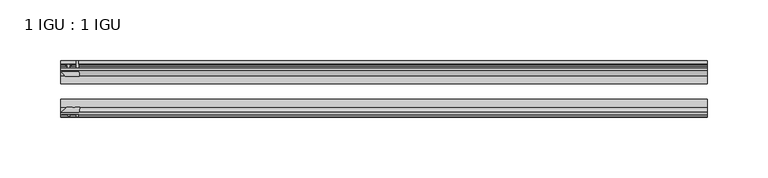
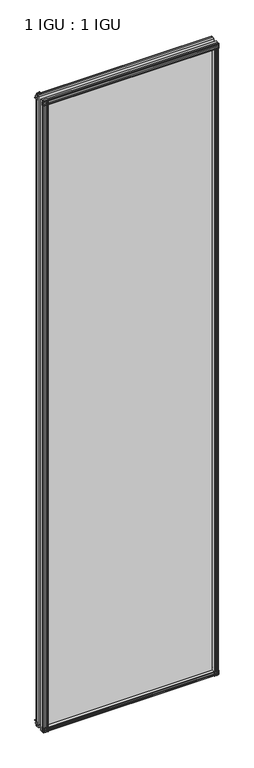
"""IFC4 building model written with IfcOpenShell, lengths in millimetres: plate geometry, 1 IGU : 1 IGU."""

from ifc_helpers import new_model, si_unit, point, frame, frame_2d, origin, place, context, project, spatial, polyline, circle_curve, trimmed, segment, composite_curve, outline, extrude, source, transform, mapped, element, save


def plate_1_igu_1_igu_2868c8d1(model_context):
    return source(origin(), model_context, "Body", "SweptSolid", [
        extrude(outline(polyline([(-24.9039062, 2.5763839), (-12.2039062, 1.5739665), (-12.2039062, 0.0), (-18.5539062, 0.0), (-18.5539062, -4.953), (-16.254502, -5.5691235), (-16.6301757, -4.1670901), (-15.7714677, -3.937), (-15.1249062, -6.35), (-15.7714677, -8.763), (-16.6301757, -8.5329099), (-16.254502, -7.1308765), (-18.5539062, -7.747), (-18.5539062, -12.7), (-20.5859062, -12.7), (-24.9039062, -9.1036931), (-24.9039062, 2.5763839)])), frame((-265.9056496, 0.0, 0.0), z_axis=(1.0, 0.0, 0.0), x_axis=(0.0, 1.0, 0.0)), (0.0, 0.0, 1.0), 531.8112992),
        extrude(outline(composite_curve([segment(polyline([(-58.2287402, 1.5687054), (-50.3039062, 3.0983599), (-50.3039062, -7.92383), (-54.4858806, -12.1058044)]), True, "CONTINUOUS"), segment(trimmed(circle_curve(frame_2d((-55.3839062, -11.2077788)), 1.27), [point((-54.4858806, -12.1058044))], [point((-56.6539062, -11.2077788))], False, "CARTESIAN"), True, "CONTINUOUS"), segment(polyline([(-56.6539062, -11.2077788), (-56.6539062, -8.0327788), (-58.1332022, -5.4488186), (-56.6539062, -5.1879788), (-56.6539062, 0.2222212), (-58.2287402, 0.0), (-58.2287402, 1.5687054)]), True, "CONTINUOUS")], self_intersect=False)), frame((-265.9056496, 0.0, 0.0), z_axis=(1.0, 0.0, 0.0), x_axis=(0.0, 1.0, 0.0)), (0.0, 0.0, 1.0), 531.8112992),
        extrude(outline(polyline([(-18.5539063, 2001.656525), (-16.254502, 2001.0404015), (-16.6301757, 2002.4424349), (-15.7714677, 2002.672525), (-15.1249063, 2000.259525), (-15.7714677, 1997.846525), (-16.6301757, 1998.0766151), (-16.254502, 1999.4786485), (-18.5539063, 1998.862525), (-18.5539063, 1993.909525), (-12.2039062, 1993.909525), (-12.2039062, 1992.3355584), (-24.9039063, 1991.3331411), (-24.9039063, 2003.0132181), (-20.5859063, 2006.609525), (-18.5539063, 2006.609525), (-18.5539063, 2001.656525)])), frame((-265.9056496, 0.0, 0.0), z_axis=(1.0, 0.0, 0.0), x_axis=(0.0, 1.0, 0.0)), (0.0, 0.0, 1.0), 531.8112992),
        extrude(outline(composite_curve([segment(polyline([(-50.3039063, 2001.833355), (-50.3039063, 1990.8111651), (-58.2287402, 1992.3408196), (-58.2287402, 1993.909525), (-56.6539063, 1993.6873038), (-56.6539063, 1999.0975038), (-58.1332023, 1999.3583436), (-56.6539063, 2001.9423038), (-56.6539063, 2005.1173038)]), True, "CONTINUOUS"), segment(trimmed(circle_curve(frame_2d((-55.3839063, 2005.1173038)), 1.27), [point((-56.6539063, 2005.1173038))], [point((-54.4858806, 2006.0153294))], False, "CARTESIAN"), True, "CONTINUOUS"), segment(polyline([(-54.4858806, 2006.0153294), (-50.3039063, 2001.833355)]), True, "CONTINUOUS")], self_intersect=False)), frame((-265.9056496, 0.0, 0.0), z_axis=(1.0, 0.0, 0.0), x_axis=(0.0, 1.0, 0.0)), (0.0, 0.0, 1.0), 531.8112992),
        extrude(outline(composite_curve([segment(polyline([(251.4746056, -57.3876965), (250.1072897, -50.3039063), (261.1294796, -50.3039063), (265.311454, -54.4858806)]), True, "CONTINUOUS"), segment(trimmed(circle_curve(frame_2d((264.4134284, -55.3839062)), 1.27), [point((265.311454, -54.4858806))], [point((264.4134284, -56.6539062))], False, "CARTESIAN"), True, "CONTINUOUS"), segment(polyline([(264.4134284, -56.6539062), (261.2384284, -56.6539063), (258.6544682, -58.1332023), (258.3936284, -56.6539063), (252.9834284, -56.6539063), (253.2056496, -58.2287402), (252.2413288, -58.2014026)]), True, "CONTINUOUS"), segment(trimmed(circle_curve(frame_2d((252.4754284, -57.2127402)), 1.016), [point((252.2413288, -58.2014026))], [point((251.4746056, -57.3876965))], False, "CARTESIAN"), True, "CONTINUOUS")], self_intersect=False)), frame((0.0, 0.0, -12.7), z_axis=(0.0, 0.0, 1.0), x_axis=(1.0, 0.0, 0.0)), (0.0, 0.0, 1.0), 2007.0064),
        extrude(outline(polyline([(258.1586496, -18.5539062), (258.7747731, -16.254502), (257.3727397, -16.6301757), (257.1426496, -15.7714677), (259.5556496, -15.1249062), (261.9686496, -15.7714677), (261.7385595, -16.6301757), (260.3365261, -16.254502), (260.9526496, -18.5539062), (265.9056496, -18.5539062), (265.9056496, -20.5859063), (262.3093427, -24.9039063), (250.6292657, -24.9039063), (251.631683, -12.2039062), (253.2056496, -12.2039062), (253.2056496, -18.5539062), (258.1586496, -18.5539062)])), frame((0.0, 0.0, -12.7), z_axis=(0.0, 0.0, 1.0), x_axis=(1.0, 0.0, 0.0)), (0.0, 0.0, 1.0), 2007.0064),
        extrude(outline(composite_curve([segment(polyline([(-261.2384284, -56.6539062), (-264.4134284, -56.6539062)]), True, "CONTINUOUS"), segment(trimmed(circle_curve(frame_2d((-264.4134284, -55.3839062)), 1.27), [point((-264.4134284, -56.6539062))], [point((-265.311454, -54.4858806))], False, "CARTESIAN"), True, "CONTINUOUS"), segment(polyline([(-265.311454, -54.4858806), (-261.1294796, -50.3039062), (-257.4599341, -50.3039062)]), True, "CONTINUOUS"), segment(trimmed(circle_curve(frame_2d((-255.3964284, -46.3669062)), 4.445), [point((-257.4599341, -50.3039062))], [point((-253.3329226, -50.3039062))], True, "CARTESIAN"), True, "CONTINUOUS"), segment(polyline([(-253.3329226, -50.3039062), (-250.1072897, -50.3039062), (-251.6369442, -58.2287402), (-253.2056496, -58.2287402), (-252.9834284, -56.6539062), (-258.3936284, -56.6539062), (-258.6544682, -58.1332022), (-261.2384284, -56.6539062)]), True, "CONTINUOUS")], self_intersect=False)), frame((0.0, 0.0, -12.7), z_axis=(0.0, 0.0, 1.0), x_axis=(1.0, 0.0, 0.0)), (0.0, 0.0, 1.0), 2019.309525),
        extrude(outline(polyline([(-250.6292657, -24.9039062), (-262.3093427, -24.9039062), (-265.9056496, -20.5859062), (-265.9056496, -18.5539062), (-260.9526496, -18.5539062), (-260.3365261, -16.254502), (-261.7385595, -16.6301757), (-261.9686496, -15.7714677), (-259.5556496, -15.1249062), (-257.1426496, -15.7714677), (-257.3727397, -16.6301757), (-258.7747731, -16.254502), (-258.1586496, -18.5539062), (-253.2056496, -18.5539062), (-253.2056496, -12.2039062), (-251.631683, -12.2039062), (-250.6292657, -24.9039062)])), frame((0.0, 0.0, -12.7), z_axis=(0.0, 0.0, 1.0), x_axis=(1.0, 0.0, 0.0)), (0.0, 0.0, 1.0), 2019.309525),
        extrude(outline(polyline([(265.9056496, -24.9039062), (265.9056496, -31.2031063), (-265.9056496, -31.2031063), (-265.9056496, -24.9039062), (265.9056496, -24.9039062)])), frame((0.0, 0.0, -12.7), z_axis=(0.0, 0.0, 1.0), x_axis=(1.0, 0.0, 0.0)), (0.0, 0.0, 1.0), 2019.309525),
        extrude(outline(polyline([(-265.9056496, -44.0047063), (265.9056496, -44.0047063), (265.9056496, -50.3039062), (-265.9056496, -50.3039062), (-265.9056496, -44.0047063)])), frame((0.0, 0.0, -12.7), z_axis=(0.0, 0.0, 1.0), x_axis=(1.0, 0.0, 0.0)), (0.0, 0.0, 1.0), 2019.309525),
    ])


if __name__ == "__main__":
    model = new_model("IFC4")
    model_context = context("Model", 3, world=origin())
    ifc_project = project(units=[si_unit("LENGTHUNIT", "METRE", prefix="MILLI")], contexts=[model_context])
    site = spatial("IfcSite", under=ifc_project)
    building = spatial("IfcBuilding", under=site)
    placement = place(None, origin())
    plate_1_igu_1_igu_shape = plate_1_igu_1_igu_2868c8d1(model_context)
    element("IfcPlate", 1, ObjectType="1 IGU : 1 IGU", at=placement, inside=building, context=model_context, shape_type="MappedRepresentation", body=[
        mapped(plate_1_igu_1_igu_shape, transform((0.0, 0.0, 0.0), x_axis=(1.0, 0.0, 0.0), y_axis=(0.0, 1.0, 0.0), z_axis=(0.0, 0.0, 1.0))),
    ])
    save(model, "model.ifc")
